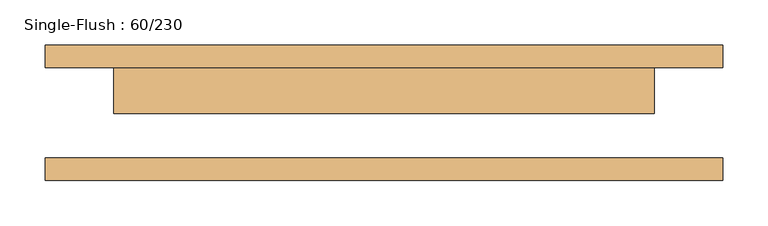
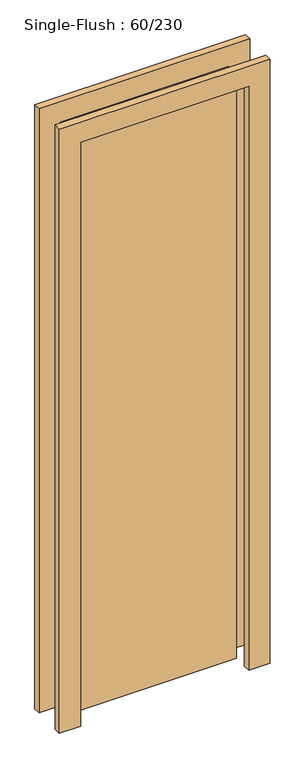
"""IFC4 building model written with IfcOpenShell, lengths in millimetres: door geometry, Single-Flush : 60/230."""

from ifc_helpers import new_model, si_unit, frame, origin, origin_with_axes, place, context, project, spatial, polyline, outline, extrude, source, transform, mapped, element, save


def single_flush_60_230_279f2c26(model_context):
    return source(origin(), model_context, "Body", "SweptSolid", [
        extrude(outline(polyline([(2276.2, -376.2), (0.0, -376.2), (0.0, -300.0), (2200.0, -300.0), (2200.0, 300.0), (0.0, 300.0), (0.0, 376.2), (2276.2, 376.2), (2276.2, -376.2)])), frame((0.0, 50.0, 0.0), z_axis=(0.0, 1.0, 0.0), x_axis=(0.0, 0.0, 1.0)), (0.0, 0.0, 1.0), 25.4),
        extrude(outline(polyline([(2276.2, 376.2), (2276.2, -376.2), (0.0, -376.2), (0.0, -300.0), (2200.0, -300.0), (2200.0, 300.0), (0.0, 300.0), (0.0, 376.2), (2276.2, 376.2)])), frame((0.0, -75.4, 0.0), z_axis=(0.0, 1.0, 0.0), x_axis=(0.0, 0.0, 1.0)), (0.0, 0.0, 1.0), 25.4),
        extrude(outline(polyline([(300.0, -0.8), (-300.0, -0.8), (-300.0, 50.0), (300.0, 50.0), (300.0, -0.8)])), origin_with_axes(), (0.0, 0.0, 1.0), 2200.0),
    ])


if __name__ == "__main__":
    model = new_model("IFC4")
    model_context = context("Model", 3, world=origin())
    ifc_project = project(units=[si_unit("LENGTHUNIT", "METRE", prefix="MILLI")], contexts=[model_context])
    site = spatial("IfcSite", under=ifc_project)
    building = spatial("IfcBuilding", under=site)
    placement = place(None, origin())
    single_flush_60_230_shape = single_flush_60_230_279f2c26(model_context)
    element("IfcDoor", 1, ObjectType="Single-Flush : 60/230", at=placement, inside=building, context=model_context, shape_type="MappedRepresentation", body=[
        mapped(single_flush_60_230_shape, transform((0.0, 0.0, 0.0), x_axis=(1.0, 0.0, 0.0), y_axis=(0.0, 1.0, 0.0), z_axis=(0.0, 0.0, 1.0))),
    ])
    save(model, "model.ifc")
